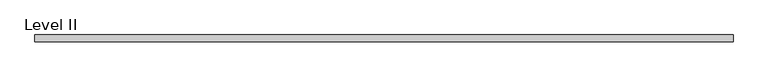
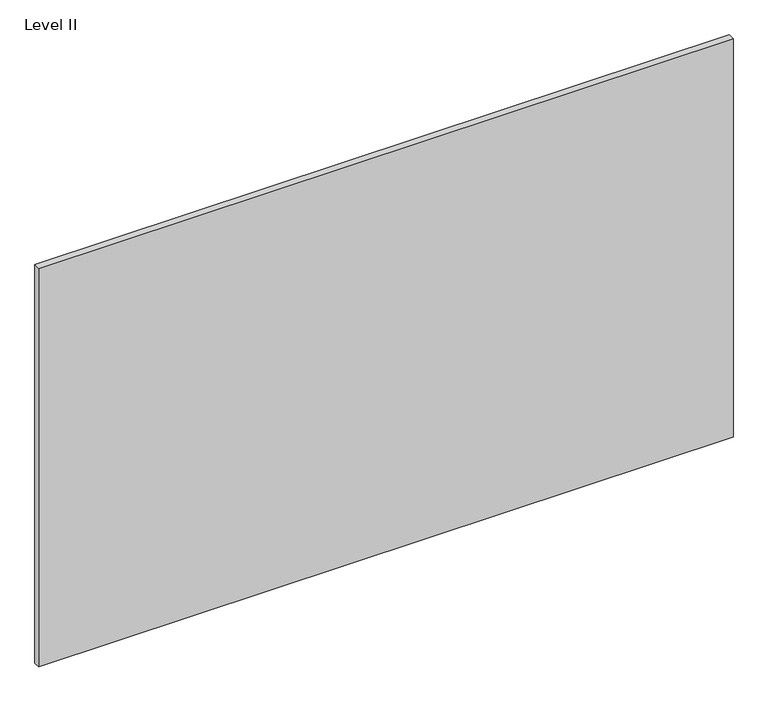
"""IFC4 building model written with IfcOpenShell, lengths in millimetres: proxy geometry, Level II."""

from ifc_helpers import new_model, si_unit, frame, origin, place, context, project, spatial, polyline, outline, extrude, source, transform, mapped, element, save


def level_ii_4f3a5f4c(model_context):
    return source(origin(), model_context, "Body", "SweptSolid", [
        extrude(outline(polyline([(998.8407125, 9.525), (998.8407125, -9.525), (-998.8407125, -9.525), (-998.8407125, 9.525), (998.8407125, 9.525)])), frame((0.0, 0.0, 3.175), z_axis=(0.0, 0.0, 1.0), x_axis=(1.0, 0.0, 0.0)), (0.0, 0.0, 1.0), 1212.85),
    ])


if __name__ == "__main__":
    model = new_model("IFC4")
    model_context = context("Model", 3, world=origin())
    ifc_project = project(units=[si_unit("LENGTHUNIT", "METRE", prefix="MILLI")], contexts=[model_context])
    site = spatial("IfcSite", under=ifc_project)
    building = spatial("IfcBuilding", under=site)
    placement = place(None, origin())
    level_ii_shape = level_ii_4f3a5f4c(model_context)
    element("IfcBuildingElementProxy", 1, Name="Level II", ObjectType="Level II", at=placement, inside=building, context=model_context, shape_type="MappedRepresentation", body=[
        mapped(level_ii_shape, transform((0.0, 0.0, 0.0), x_axis=(1.0, 0.0, 0.0), y_axis=(0.0, 1.0, 0.0), z_axis=(0.0, 0.0, 1.0))),
    ])
    save(model, "model.ifc")
